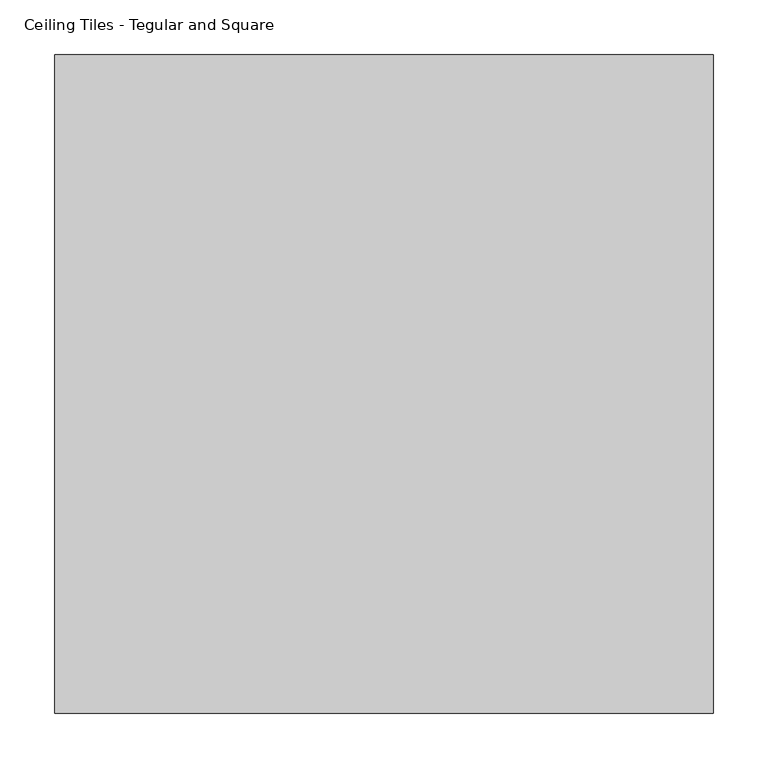
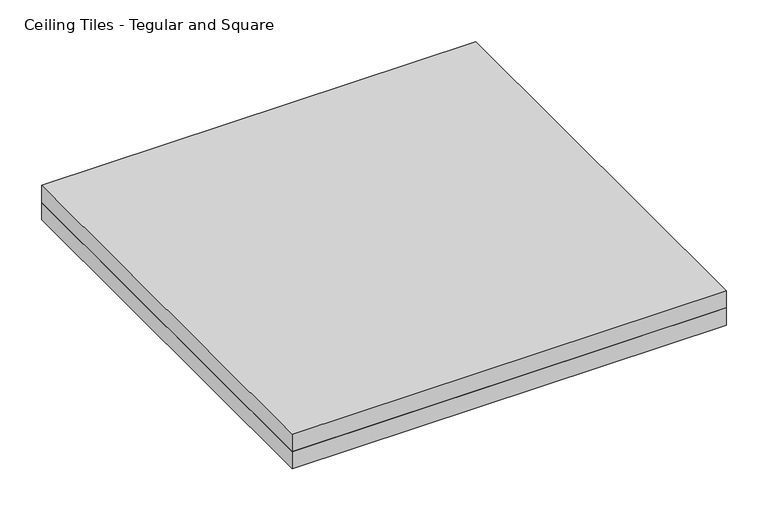
"""IFC4 building model written with IfcOpenShell, lengths in millimetres: proxy geometry, Ceiling Tiles - Tegular and Square."""

from ifc_helpers import new_model, si_unit, frame, origin, origin_with_axes, place, context, project, spatial, polyline, outline, extrude, source, transform, mapped, element, save


def ceiling_tiles_tegular_and_square_7943fd0f(model_context):
    return source(origin(), model_context, "Body", "SweptSolid", [
        extrude(outline(polyline([(301.625, 301.625), (301.625, -301.625), (-301.625, -301.625), (-301.625, 301.625), (301.625, 301.625)])), origin_with_axes(), (0.0, 0.0, 1.0), 25.4),
        extrude(outline(polyline([(-301.625, 301.625), (301.625, 301.625), (301.625, -301.625), (-301.625, -301.625), (-301.625, 301.625)])), frame((0.0, 0.0, 25.4), z_axis=(0.0, 0.0, 1.0), x_axis=(1.0, 0.0, 0.0)), (0.0, 0.0, 1.0), 25.4),
    ])


if __name__ == "__main__":
    model = new_model("IFC4")
    model_context = context("Model", 3, world=origin())
    ifc_project = project(units=[si_unit("LENGTHUNIT", "METRE", prefix="MILLI")], contexts=[model_context])
    site = spatial("IfcSite", under=ifc_project)
    building = spatial("IfcBuilding", under=site)
    placement = place(None, origin())
    ceiling_tiles_tegular_and_square_shape = ceiling_tiles_tegular_and_square_7943fd0f(model_context)
    element("IfcBuildingElementProxy", 1, Name="Ceiling Tiles - Tegular and Square", ObjectType="Ceiling Tiles - Tegular and Square", at=placement, inside=building, context=model_context, shape_type="MappedRepresentation", body=[
        mapped(ceiling_tiles_tegular_and_square_shape, transform((0.0, 0.0, 0.0), x_axis=(1.0, 0.0, 0.0), y_axis=(0.0, 1.0, 0.0), z_axis=(0.0, 0.0, 1.0))),
    ])
    save(model, "model.ifc")
